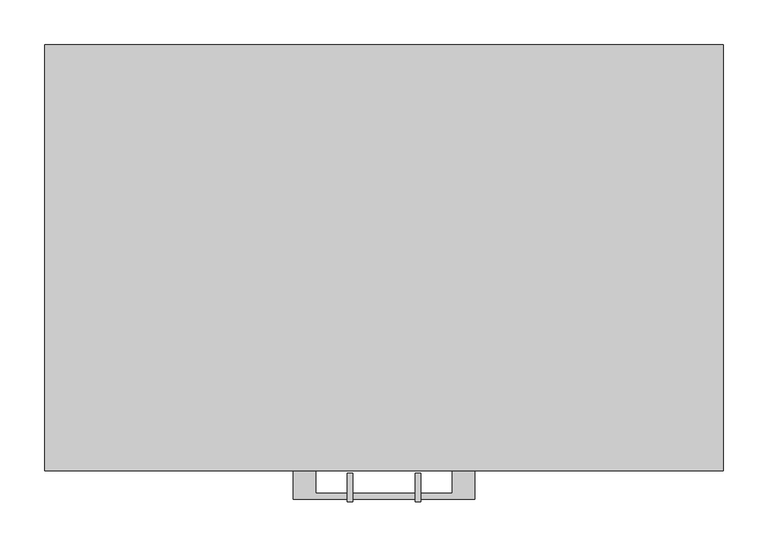
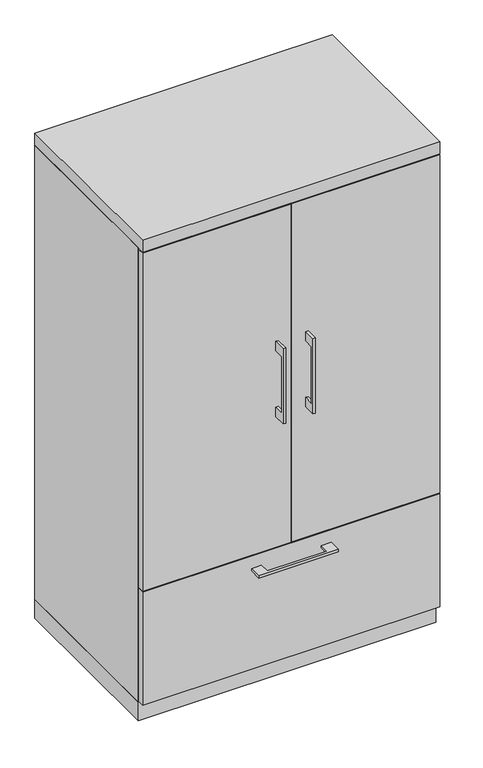
"""IFC4 building model written with IfcOpenShell, lengths in millimetres: furniture geometry."""

from ifc_helpers import new_model, si_unit, frame, origin, origin_with_axes, place, context, project, spatial, polyline, outline, extrude, source, transform, mapped, element, save


def furniture_dbeacb42(model_context):
    return source(origin(), model_context, "Body", "SweptSolid", [
        extrude(outline(polyline([(360.3625, -19.05), (360.3625, -457.2), (-360.3625, -457.2), (-360.3625, -19.05), (360.3625, -19.05)])), frame((0.0, 0.0, 962.025), z_axis=(0.0, 0.0, 1.0), x_axis=(1.0, 0.0, 0.0)), (0.0, 0.0, 1.0), 19.05),
        extrude(outline(polyline([(-479.425, 893.7625), (-504.8249758, 893.7625), (-504.8249758, 741.3625), (-479.425, 741.3625), (-479.425, 715.9625), (-511.1749879, 715.9625), (-511.1749879, 919.1625), (-479.425, 919.1625), (-479.425, 893.7625)])), frame((-41.2749879, 0.0, 0.0), z_axis=(1.0, 0.0, 0.0), x_axis=(0.0, 1.0, 0.0)), (0.0, 0.0, 1.0), 6.3499758),
        extrude(outline(polyline([(-379.4125, -476.25), (-379.4125, -457.2), (-1.5875, -457.2), (-1.5875, -476.25), (-379.4125, -476.25)])), frame((0.0, 0.0, 361.95), z_axis=(0.0, 0.0, 1.0), x_axis=(1.0, 0.0, 0.0)), (0.0, 0.0, 1.0), 911.225),
        extrude(outline(polyline([(-479.425, 893.7625), (-504.8249758, 893.7625), (-504.8249758, 741.3625), (-479.425, 741.3625), (-479.425, 715.9625), (-511.1749879, 715.9625), (-511.1749879, 919.1625), (-479.425, 919.1625), (-479.425, 893.7625)])), frame((34.9250121, 0.0, 0.0), z_axis=(1.0, 0.0, 0.0), x_axis=(0.0, 1.0, 0.0)), (0.0, 0.0, 1.0), 6.3499758),
        extrude(outline(polyline([(379.4125, -476.25), (1.5875, -476.25), (1.5875, -457.2), (379.4125, -457.2), (379.4125, -476.25)])), frame((0.0, 0.0, 361.95), z_axis=(0.0, 0.0, 1.0), x_axis=(1.0, 0.0, 0.0)), (0.0, 0.0, 1.0), 911.225),
        extrude(outline(polyline([(360.3625, -19.05), (360.3625, -457.2), (-360.3625, -457.2), (-360.3625, -19.05), (360.3625, -19.05)])), frame((0.0, 0.0, 657.225), z_axis=(0.0, 0.0, 1.0), x_axis=(1.0, 0.0, 0.0)), (0.0, 0.0, 1.0), 19.05),
        extrude(outline(polyline([(-76.1999818, -476.25), (-76.1999818, -501.6499758), (76.2, -501.6499758), (76.2, -476.25), (101.5999939, -476.25), (101.5999939, -507.9999879), (-101.5999939, -507.9999879), (-101.5999939, -476.25), (-76.1999818, -476.25)])), frame((0.0, 0.0, 319.0875506), z_axis=(0.0, 0.0, 1.0), x_axis=(1.0, 0.0, 0.0)), (0.0, 0.0, 1.0), 6.3499758),
        extrude(outline(polyline([(379.4125, -457.2), (379.4125, -476.25), (-379.4125, -476.25), (-379.4125, -457.2), (379.4125, -457.2)])), frame((0.0, 0.0, 53.975), z_axis=(0.0, 0.0, 1.0), x_axis=(1.0, 0.0, 0.0)), (0.0, 0.0, 1.0), 304.8),
        extrude(outline(polyline([(360.3625, -19.05), (360.3625, -457.2), (-360.3625, -457.2), (-360.3625, -19.05), (360.3625, -19.05)])), frame((0.0, 0.0, 50.8), z_axis=(0.0, 0.0, 1.0), x_axis=(1.0, 0.0, 0.0)), (0.0, 0.0, 1.0), 311.15),
        extrude(outline(polyline([(-379.4125, 0.0), (379.4125, 0.0), (379.4125, -457.2), (360.3625, -457.2), (360.3625, -19.05), (-360.3625, -19.05), (-360.3625, -457.2), (-379.4125, -457.2), (-379.4125, 0.0)])), frame((0.0, 0.0, 50.8), z_axis=(0.0, 0.0, 1.0), x_axis=(1.0, 0.0, 0.0)), (0.0, 0.0, 1.0), 1225.55),
        extrude(outline(polyline([(379.4125, 0.0), (379.4125, -476.25), (-379.4125, -476.25), (-379.4125, 0.0), (379.4125, 0.0)])), frame((0.0, 0.0, 1276.35), z_axis=(0.0, 0.0, 1.0), x_axis=(1.0, 0.0, 0.0)), (0.0, 0.0, 1.0), 31.75),
        extrude(outline(polyline([(379.4125, 0.0), (379.4125, -457.2), (-379.4125, -457.2), (-379.4125, 0.0), (379.4125, 0.0)])), origin_with_axes(), (0.0, 0.0, 1.0), 50.8),
    ])


if __name__ == "__main__":
    model = new_model("IFC4")
    model_context = context("Model", 3, world=origin())
    ifc_project = project(units=[si_unit("LENGTHUNIT", "METRE", prefix="MILLI")], contexts=[model_context])
    site = spatial("IfcSite", under=ifc_project)
    building = spatial("IfcBuilding", under=site)
    placement = place(None, origin())
    furniture_shape = furniture_dbeacb42(model_context)
    element("IfcFurniture", 1, at=placement, inside=building, context=model_context, shape_type="MappedRepresentation", body=[
        mapped(furniture_shape, transform((0.0, 0.0, 0.0), x_axis=(1.0, 0.0, 0.0), y_axis=(0.0, 1.0, 0.0), z_axis=(0.0, 0.0, 1.0))),
    ])
    save(model, "model.ifc")
